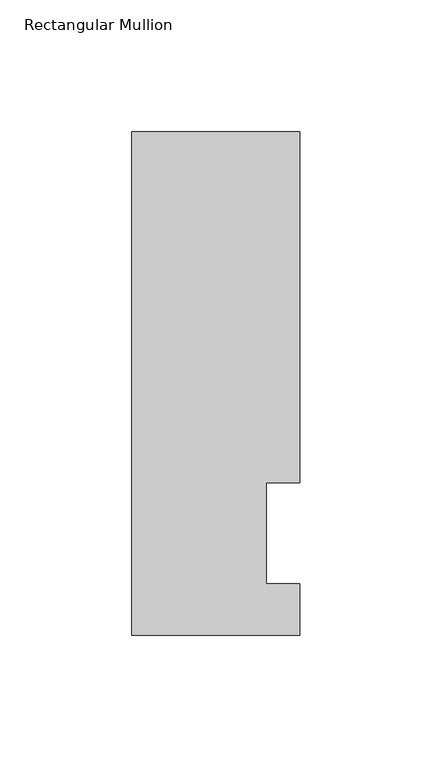
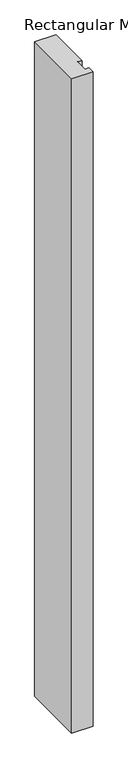
"""IFC4 building model written with IfcOpenShell, lengths in millimetres: member geometry, Rectangular Mullion."""

from ifc_helpers import new_model, si_unit, frame, origin, place, context, project, spatial, polyline, outline, extrude, source, transform, mapped, element, save


def rectangular_mullion_ca34f487(model_context):
    return source(origin(), model_context, "Body", "SweptSolid", [
        extrude(outline(polyline([(19.05, 57.6460937), (19.05, 19.5460937), (31.75, 19.5460937), (31.75, 0.0134937), (-31.75, 0.0134937), (-31.75, 190.5896937), (31.75, 190.5896938), (31.75, 57.6460938), (19.05, 57.6460937)])), frame((0.0, 0.0, -2057.4), z_axis=(0.0, 0.0, 1.0), x_axis=(1.0, 0.0, 0.0)), (0.0, 0.0, 1.0), 2057.4),
    ])


if __name__ == "__main__":
    model = new_model("IFC4")
    model_context = context("Model", 3, world=origin())
    ifc_project = project(units=[si_unit("LENGTHUNIT", "METRE", prefix="MILLI")], contexts=[model_context])
    site = spatial("IfcSite", under=ifc_project)
    building = spatial("IfcBuilding", under=site)
    placement = place(None, origin())
    rectangular_mullion_shape = rectangular_mullion_ca34f487(model_context)
    element("IfcMember", 1, ObjectType="Rectangular Mullion", at=placement, inside=building, context=model_context, shape_type="MappedRepresentation", body=[
        mapped(rectangular_mullion_shape, transform((0.0, 0.0, 0.0), x_axis=(1.0, 0.0, 0.0), y_axis=(0.0, 1.0, 0.0), z_axis=(0.0, 0.0, 1.0))),
    ])
    save(model, "model.ifc")
